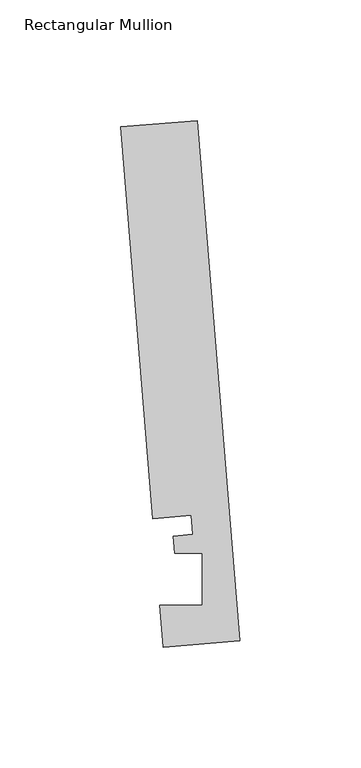
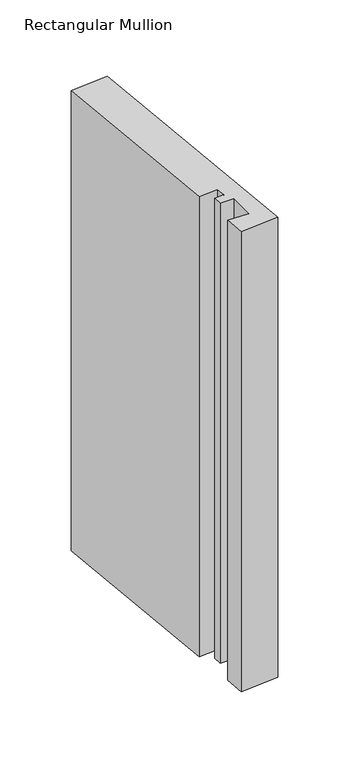
"""IFC4 building model written with IfcOpenShell, lengths in millimetres: member geometry, Rectangular Mullion."""

import ifcopenshell
import ifcopenshell.guid

model = None  # the IFC model being written
_history = None  # IfcOwnerHistory: only IFC2X3 demands one
_inside = {}  # id of a spatial element -> (the spatial element, [elements in it])
_under = {}  # id of a project, library or spatial element -> (it, [spatial elements below it])
_declared = {}  # id of a project -> (the project, [libraries it declares])
_typed = {}  # id of a type object -> (the type object, [elements of that type])
_made_of = {}  # id of a material, layer set ... -> (it, [elements and type objects made of it])


def new_model(schema):
    """Start an empty IFC model of exactly this schema.

    Asked for "IFC4X3", IfcOpenShell would pick the latest addendum, in which some entities
    have other attributes; the version numbers below select the first issue.
    IFC2X3 requires an IfcOwnerHistory on every rooted entity: one is made here for all.
    """
    global model, _history
    if schema == "IFC4X3":
        model = ifcopenshell.file(schema_version=(4, 3, 0, 0))
    else:
        model = ifcopenshell.file(schema=schema)
    _inside.clear()
    _under.clear()
    _declared.clear()
    _typed.clear()
    _made_of.clear()
    _history = None
    if model.schema == "IFC2X3":
        org = make("IfcOrganization", Name="unknown")
        user = make(
            "IfcPersonAndOrganization",
            ThePerson=make("IfcPerson", FamilyName="unknown"),
            TheOrganization=org,
        )
        app = make(
            "IfcApplication",
            ApplicationDeveloper=org,
            Version="unknown",
            ApplicationFullName="unknown",
            ApplicationIdentifier="unknown",
        )
        _history = make(
            "IfcOwnerHistory",
            OwningUser=user,
            OwningApplication=app,
            ChangeAction="ADDED",
            CreationDate=0,
        )
    return model


def make(cls, **values):
    """One entity of the class cls with the attributes given. An attribute that is None is left unset."""
    return model.create_entity(
        cls, **{name: value for name, value in values.items() if value is not None}
    )


def rooted(cls, **values):
    """An entity with a GlobalId (a new one), such as an element, a storey or a relation."""
    return make(cls, GlobalId=ifcopenshell.guid.new(), OwnerHistory=_history, **values)


def si_unit(unit_type, name, prefix=None):
    """IfcSIUnit, for example si_unit("LENGTHUNIT", "METRE", prefix="MILLI")."""
    return make("IfcSIUnit", UnitType=unit_type, Prefix=prefix, Name=name)


def assignment(units):
    """IfcUnitAssignment: the units of a project."""
    return None if units is None else make("IfcUnitAssignment", Units=units)


def point(xyz):
    """IfcCartesianPoint."""
    return None if xyz is None else make("IfcCartesianPoint", Coordinates=xyz)


def direction(xyz):
    """IfcDirection."""
    return None if xyz is None else make("IfcDirection", DirectionRatios=xyz)


def frame(location, z_axis=None, x_axis=None):
    """IfcAxis2Placement3D, a coordinate frame: its origin and axes. An axis left out is left unset."""
    return make(
        "IfcAxis2Placement3D",
        Location=point(location),
        Axis=direction(z_axis),
        RefDirection=direction(x_axis),
    )


def origin():
    """The frame at (0, 0, 0) with its axes left unset."""
    return frame((0.0, 0.0, 0.0))


def place(relative_to, where):
    """IfcLocalPlacement: puts the frame where relative to a parent placement (None: the world)."""
    return make(
        "IfcLocalPlacement", PlacementRelTo=relative_to, RelativePlacement=where
    )


def context(
    kind, dimensions, precision=None, world=None, true_north=None, identifier=None
):
    """IfcGeometricRepresentationContext, for example the 3D "Model" context."""
    return make(
        "IfcGeometricRepresentationContext",
        ContextIdentifier=identifier,
        ContextType=kind,
        CoordinateSpaceDimension=dimensions,
        Precision=precision,
        WorldCoordinateSystem=world,
        TrueNorth=true_north,
    )


def project(units=None, contexts=None):
    """IfcProject with its units and contexts."""
    return rooted(
        "IfcProject",
        Name="project",
        RepresentationContexts=contexts,
        UnitsInContext=assignment(units),
    )


def spatial(cls, under=None, at=None, **own):
    """A site, building, storey or space (cls), placed at a placement, below another one or the project."""
    s = rooted(cls, ObjectPlacement=at, **own)
    if under is not None:
        _under.setdefault(under.id(), (under, []))[1].append(s)
    return s


def polyline(points):
    """IfcPolyline through the points."""
    return make("IfcPolyline", Points=[point(p) for p in points])


def outline(outer, holes=None, kind="AREA"):
    """IfcArbitraryClosedProfileDef: a profile drawn as a closed curve; with holes, ...WithVoids."""
    if holes is None:
        return make("IfcArbitraryClosedProfileDef", ProfileType=kind, OuterCurve=outer)
    return make(
        "IfcArbitraryProfileDefWithVoids",
        ProfileType=kind,
        OuterCurve=outer,
        InnerCurves=holes,
    )


def extrude(swept, where, along, depth):
    """IfcExtrudedAreaSolid: the profile swept, set in the frame where, extruded along a direction by depth."""
    return make(
        "IfcExtrudedAreaSolid",
        SweptArea=swept,
        Position=where,
        ExtrudedDirection=direction(along),
        Depth=depth,
    )


def shape(context_of_items, identifier, shape_type, items):
    """IfcShapeRepresentation: the items that make up one representation, for example the "Body"."""
    return make(
        "IfcShapeRepresentation",
        ContextOfItems=context_of_items,
        RepresentationIdentifier=identifier,
        RepresentationType=shape_type,
        Items=items,
    )


def source(mapping_origin, context_of_items, identifier, shape_type, items):
    """IfcRepresentationMap: a shape defined once, which mapped items show again and again."""
    return make(
        "IfcRepresentationMap",
        MappingOrigin=mapping_origin,
        MappedRepresentation=shape(context_of_items, identifier, shape_type, items),
    )


def transform(
    local_origin,
    x_axis=None,
    y_axis=None,
    z_axis=None,
    scale=None,
    scale2=None,
    scale3=None,
    uniform=True,
):
    """IfcCartesianTransformationOperator3D, or its non-uniform kind. x_axis, y_axis, z_axis: its Axis1, 2, 3."""
    if uniform:
        return make(
            "IfcCartesianTransformationOperator3D",
            Axis1=direction(x_axis),
            Axis2=direction(y_axis),
            LocalOrigin=point(local_origin),
            Scale=scale,
            Axis3=direction(z_axis),
        )
    return make(
        "IfcCartesianTransformationOperator3DnonUniform",
        Axis1=direction(x_axis),
        Axis2=direction(y_axis),
        LocalOrigin=point(local_origin),
        Scale=scale,
        Axis3=direction(z_axis),
        Scale2=scale2,
        Scale3=scale3,
    )


def mapped(mapping_source, mapping_target):
    """IfcMappedItem: shows the shape of a source again, moved by a transform."""
    return make(
        "IfcMappedItem", MappingSource=mapping_source, MappingTarget=mapping_target
    )


def made_of(thing, what):
    """Note that an element or type object is made of a material, layer set ...; save() writes the relation."""
    if what is not None:
        _made_of.setdefault(what.id(), (what, []))[1].append(thing)
    return thing


def element(
    cls,
    number,
    at=None,
    inside=None,
    cuts=None,
    type_object=None,
    material=None,
    context=None,
    identifier="Body",
    shape_type=None,
    held_by="IfcProductDefinitionShape",
    body=None,
    shapes=None,
    **own,
):
    """One element of the class cls, such as IfcWall. Its Tag is "e" and its number.

    at: its placement. inside: the storey or other place that contains it. cuts: it is an
    opening in that element (IfcRelVoidsElement). A single representation is given by context,
    identifier, shape_type and body (its items); several are given by shapes. held_by: the class
    of the entity that holds the representations. save() writes the other relations.
    """
    e = rooted(cls, Tag="e%d" % number, ObjectPlacement=at, **own)
    if body is not None:
        shapes = [shape(context, identifier, shape_type, body)]
    if shapes is not None:
        e.Representation = make(held_by, Representations=shapes)
    if inside is not None:
        _inside.setdefault(inside.id(), (inside, []))[1].append(e)
    if cuts is not None:
        rooted(
            "IfcRelVoidsElement", RelatingBuildingElement=cuts, RelatedOpeningElement=e
        )
    if type_object is not None:
        _typed.setdefault(type_object.id(), (type_object, []))[1].append(e)
    return made_of(e, material)


def aggregate(whole, parts):
    """IfcRelAggregates: a whole, such as a stair, and the parts it consists of."""
    return rooted("IfcRelAggregates", RelatingObject=whole, RelatedObjects=parts)


def save(model, path):
    """Write the relations noted so far, then the file.

    IfcRelAggregates (storeys below a building ...), IfcRelContainedInSpatialStructure (elements
    in a storey), IfcRelDefinesByType, IfcRelAssociatesMaterial and IfcRelDeclares: one each for
    every whole, place, type object, material and project.
    """
    for whole, parts in _under.values():
        aggregate(whole, parts)
    for where, things in _inside.values():
        rooted(
            "IfcRelContainedInSpatialStructure",
            RelatedElements=things,
            RelatingStructure=where,
        )
    for kind, things in _typed.values():
        rooted("IfcRelDefinesByType", RelatedObjects=things, RelatingType=kind)
    for what, things in _made_of.values():
        rooted("IfcRelAssociatesMaterial", RelatedObjects=things, RelatingMaterial=what)
    for by, libraries in _declared.values():
        rooted("IfcRelDeclares", RelatingContext=by, RelatedDefinitions=libraries)
    model.write(path)


def rectangular_mullion_c87e1778(model_context):
    return source(origin(), model_context, "Body", "SweptSolid", [
        extrude(outline(polyline([(-0.2190396, 2.6699364), (-31.8627302, 0.0739116), (-33.2772473, 17.315866), (-15.8506254, 17.315866), (-15.848851, 38.9474576), (-27.100463, 38.9474576), (-27.6861262, 46.0862742), (-19.7625461, 46.7363188), (-20.4084371, 54.6092691), (-36.2302824, 53.3112566), (-49.5364672, 215.5041572), (-17.8927766, 218.100182), (-0.2190396, 2.6699364)])), frame((0.0, 0.0, -405.4713357), z_axis=(0.0, 0.0, 1.0), x_axis=(1.0, 0.0, 0.0)), (0.0, 0.0, 1.0), 405.4713357),
    ])


if __name__ == "__main__":
    model = new_model("IFC4")
    model_context = context("Model", 3, world=origin())
    ifc_project = project(units=[si_unit("LENGTHUNIT", "METRE", prefix="MILLI")], contexts=[model_context])
    site = spatial("IfcSite", under=ifc_project)
    building = spatial("IfcBuilding", under=site)
    placement = place(None, origin())
    rectangular_mullion_shape = rectangular_mullion_c87e1778(model_context)
    element("IfcMember", 1, ObjectType="Rectangular Mullion", at=placement, inside=building, context=model_context, shape_type="MappedRepresentation", body=[
        mapped(rectangular_mullion_shape, transform((0.0, 0.0, 0.0), x_axis=(1.0, 0.0, 0.0), y_axis=(0.0, 1.0, 0.0), z_axis=(0.0, 0.0, 1.0))),
    ])
    save(model, "model.ifc")
